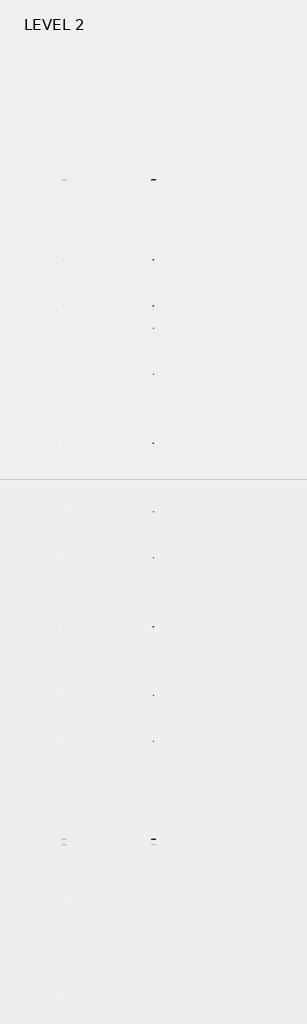
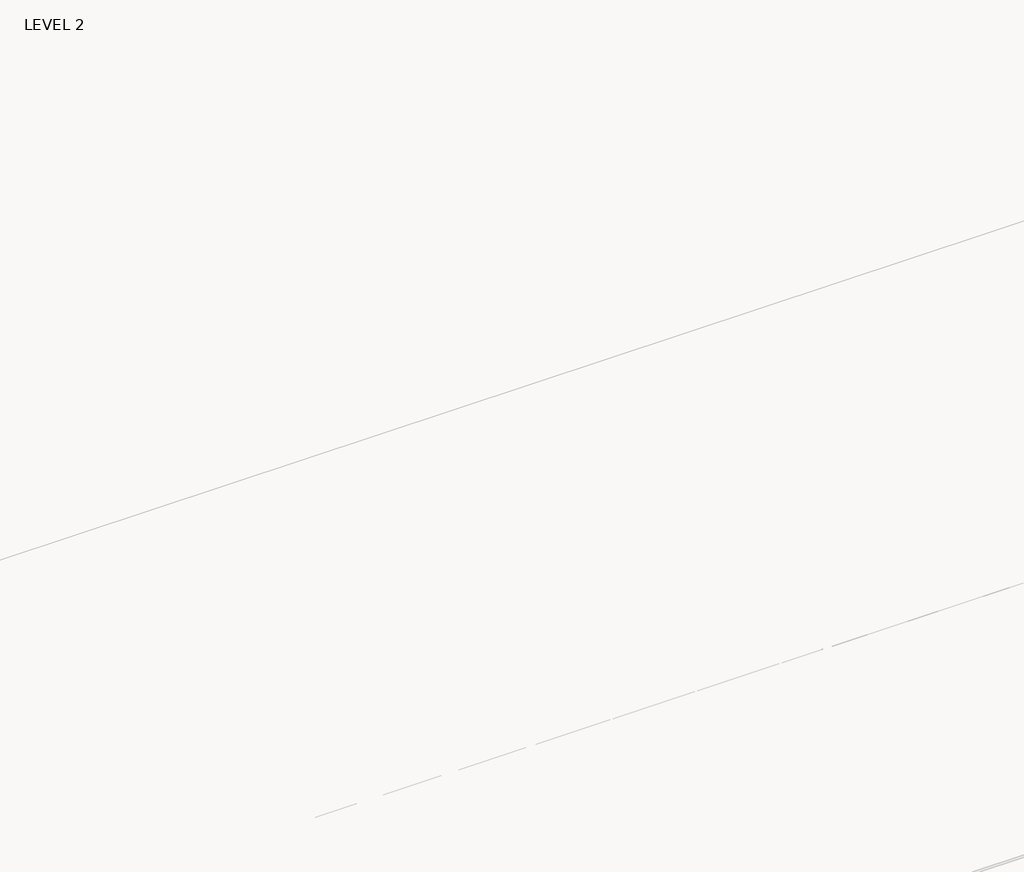
# One storey, part 51 of 67: 1 beam.
"""IFC4 building model written with IfcOpenShell, lengths in millimetres."""

from ifc_helpers import new_model, si_unit, frame, origin, place, context, project, spatial, polyline, outline, extrude, faceted_brep, element, save

model = new_model("IFC4")

# Units and contexts
model_context = context("Model", 3, world=origin())
ifc_project = project(units=[si_unit("LENGTHUNIT", "METRE", prefix="MILLI")], contexts=[model_context])

# Site, building, storey
site = spatial("IfcSite", under=ifc_project)
building = spatial("IfcBuilding", under=site)
storey = spatial("IfcBuildingStorey", under=building, Name="LEVEL 2", Elevation=6908.8)

# Beam
placement = place(None, origin())
element("IfcBeam", 1, ObjectType="K-Series Bar Joist-Angle Web : 30K7", at=placement, inside=storey, context=model_context, shape_type="SolidModel", body=[
    extrude(outline(polyline([(0.0, -9.525), (0.0, 0.0), (1596.011582, 0.0), (1596.011582, -9.525), (0.0, -9.525)])), frame((47385.8014942, 3035.5608234, 6301.5998528), z_axis=(0.0, -0.45537207995192985, 0.8903012236317849), x_axis=(0.0, -0.8903012236317849, -0.45537207995192985)), (0.0, 0.0, 1.0), 9.525),
    extrude(outline(polyline([(0.0, -9.525), (0.0, 0.0), (1596.011582, 0.0), (1596.011582, -9.525), (0.0, -9.525)])), frame((47376.2764942, -9405.2089013, 6276.405159), z_axis=(0.0, 0.45176233395621196, 0.8921383265046045), x_axis=(0.0, 0.8921383265046045, -0.45176233395621196)), (0.0, 0.0, 1.0), 9.525),
    extrude(outline(polyline([(4.7625, 4.7625), (4.7625, -4.7625), (-4.7625, -4.7625), (-4.7625, 4.7625), (4.7625, 4.7625)])), frame((47381.0389942, 1612.4610495, 5579.0607987), z_axis=(0.0, 0.5141906943646374, 0.8576758885667779), x_axis=(-1.0, 0.0, 0.0)), (0.0, 0.0, 1.0), 845.0528554),
    extrude(outline(polyline([(4.7625, 4.7625), (4.7625, -4.7625), (-4.7625, -4.7625), (-4.7625, 4.7625), (4.7625, 4.7625)])), frame((47381.0389942, -7979.1942813, 5559.6360505), z_axis=(0.0, -0.5176603441548682, 0.8555862131249332), x_axis=(-1.0, 0.0, 0.0)), (0.0, 0.0, 1.0), 845.0528554),
    extrude(outline(polyline([(0.0, 0.0), (31.75, 0.0), (31.75, -6.35), (6.35, -6.35), (6.35, -31.75), (0.0, -31.75), (0.0, 0.0)])), frame((47385.8014942, -8080.7812131, 5553.0803065), z_axis=(0.0, 0.9999979493462576, 0.0020251674695521043), x_axis=(1.0, 0.0, 0.0)), (0.0, 0.0, 1.0), 9794.875),
    extrude(outline(polyline([(-9.525, 0.0), (-9.525, -31.75), (-15.875, -31.75), (-15.875, -6.35), (-41.275, -6.35), (-41.275, 0.0), (-9.525, 0.0)])), frame((47385.8014942, -8080.7812131, 5553.0803065), z_axis=(0.0, 0.9999979493462576, 0.0020251674695521043), x_axis=(1.0, 0.0, 0.0)), (0.0, 0.0, 1.0), 9794.875),
    extrude(outline(polyline([(-31.75, 0.0), (0.0, 0.0), (0.0, -6.35), (-25.4, -6.35), (-25.4, -31.75), (-31.75, -31.75), (-31.75, 0.0)])), frame((47417.5514942, -9504.5928758, 6248.6982759), z_axis=(0.0, 0.9999979493462576, 0.0020251674695521043), x_axis=(1.0, 0.0, 0.0)), (0.0, 0.0, 1.0), 101.6),
    extrude(outline(polyline([(-41.275, 0.0), (-41.275, -31.75), (-47.625, -31.75), (-47.625, -6.35), (-73.025, -6.35), (-73.025, 0.0), (-41.275, 0.0)])), frame((47417.5514942, -9504.5928758, 6248.6982759), z_axis=(0.0, 0.9999979493462576, 0.0020251674695521043), x_axis=(1.0, 0.0, 0.0)), (0.0, 0.0, 1.0), 101.6),
    extrude(outline(polyline([(0.0, 0.0), (31.75, 0.0), (31.75, -6.35), (6.35, -6.35), (6.35, -31.75), (0.0, -31.75), (0.0, 0.0)])), frame((47376.2764942, 3033.456413, 6274.0899775), z_axis=(0.0, 0.9999979493462576, 0.0020251674695521043), x_axis=(0.0, -0.0020251674695521043, 0.9999979493462576)), (0.0, 0.0, 1.0), 101.6),
    extrude(outline(polyline([(0.0, 41.275), (6.35, 41.275), (6.35, 15.875), (31.75, 15.875), (31.75, 9.525), (0.0, 9.525), (0.0, 41.275)])), frame((47376.2764942, 3033.456413, 6274.0899775), z_axis=(0.0, 0.9999979493462576, 0.0020251674695521043), x_axis=(0.0, -0.0020251674695521043, 0.9999979493462576)), (0.0, 0.0, 1.0), 101.6),
    extrude(outline(polyline([(0.0, 0.0), (31.75, 0.0), (31.75, -6.35), (6.35, -6.35), (6.35, -31.75), (0.0, -31.75), (0.0, 0.0)])), frame((47385.8014942, -9504.7214739, 6312.1981457), z_axis=(0.0, 0.9999979493462576, 0.0020251674695521043), x_axis=(0.0, 0.0020251674695521043, -0.9999979493462576)), (0.0, 0.0, 1.0), 12639.675),
    extrude(outline(polyline([(0.0, 9.525), (0.0, 41.275), (6.35, 41.275), (6.35, 15.875), (31.75, 15.875), (31.75, 9.525), (0.0, 9.525)])), frame((47385.8014942, -9504.7214739, 6312.1981457), z_axis=(0.0, 0.9999979493462576, 0.0020251674695521043), x_axis=(0.0, 0.0020251674695521043, -0.9999979493462576)), (0.0, 0.0, 1.0), 12639.675),
    faceted_brep([(47381.0389942, 1612.4289, 5594.9357661), (47381.0389942, 1612.4674794, 5575.8858052), (47376.2764942, 1612.4674794, 5575.8858052), (47376.2764942, 1612.4289, 5594.9357661), (47381.0389942, 1611.5910583, 5594.9340693), (47381.0389942, 1186.8149607, 6330.6753354), (47381.0389942, 1168.6028414, 6330.6384527), (47381.0389942, 1168.6414208, 6311.5884918), (47381.0389942, 1175.8292494, 6311.6030483), (47381.0389942, 1600.6053471, 5575.8617823), (47376.2764942, 1600.6053471, 5575.8617823), (47376.2764942, 1580.4651011, 5610.7460665), (47376.2764942, 1584.5895575, 5613.1272983), (47376.2764942, 1189.1083632, 6298.1277874), (47376.2764942, 1184.9839067, 6295.7465555), (47376.2764942, 1175.8292494, 6311.6030483), (47376.2764942, 1168.6414208, 6311.5884918), (47376.2764942, 1168.6028414, 6330.6384527), (47376.2764942, 1186.8149607, 6330.6753354), (47376.2764942, 1611.5910583, 5594.9340693), (47363.5764942, 1184.9839067, 6295.7465555), (47363.5764942, 1580.4651011, 5610.7460665), (47363.5764942, 1584.5895575, 5613.1272983), (47363.5764942, 1189.1083632, 6298.1277874)], [[[0, 1, 2, 3]], [[1, 0, 4, 5, 6, 7, 8, 9]], [[2, 1, 9, 10]], [[3, 2, 10, 11, 12, 13, 14, 15, 16, 17, 18, 19]], [[0, 3, 19, 4]], [[9, 8, 15, 14, 20, 21, 11, 10]], [[5, 4, 19, 18]], [[7, 6, 17, 16]], [[8, 7, 16, 15]], [[6, 5, 18, 17]], [[21, 22, 12, 11]], [[20, 14, 13, 23]], [[22, 21, 20, 23]], [[12, 22, 23, 13]]]),
    extrude(outline(polyline([(740.498813, 5574.119919), (740.4602335, 5593.1698799), (741.2980751, 5593.1715767), (1163.090696, 6330.6272897), (1181.3028154, 6330.6641723), (1181.3413948, 6311.6142114), (1174.1535662, 6311.5996548), (752.3609453, 5574.1439418), (740.498813, 5574.119919)])), frame((47381.0389942, 0.0, 0.0), z_axis=(1.0, 0.0, 0.0), x_axis=(0.0, 1.0, 0.0)), (0.0, 0.0, 1.0), 4.7625),
    extrude(outline(polyline([(-4.7625, 4.7625), (-4.7625, 0.0), (-17.4625, 0.0), (-17.4625, 4.7625), (-4.7625, 4.7625)])), frame((47381.0389942, 772.3597334, 5609.1095144), z_axis=(0.0, 0.4964843899757221, 0.8680456500152716), x_axis=(-1.0, 0.0, 0.0)), (0.0, 0.0, 1.0), 790.9684223),
    faceted_brep([(47381.0389942, -7107.2577644, 5577.2769041), (47381.0389942, -7107.219185, 5558.2269432), (47376.2764942, -7107.219185, 5558.2269432), (47376.2764942, -7107.2577644, 5577.2769041), (47381.0389942, -7108.095606, 5577.2752074), (47381.0389942, -7532.8717036, 6313.0164734), (47381.0389942, -7551.083823, 6312.9795907), (47381.0389942, -7551.0452435, 6293.9296298), (47381.0389942, -7543.8574149, 6293.9441864), (47381.0389942, -7119.0813173, 5558.2029203), (47376.2764942, -7119.0813173, 5558.2029203), (47376.2764942, -7139.2215633, 5593.0872045), (47376.2764942, -7135.0971068, 5595.4684363), (47376.2764942, -7530.5783012, 6280.4689254), (47376.2764942, -7534.7027576, 6278.0876936), (47376.2764942, -7543.8574149, 6293.9441864), (47376.2764942, -7551.0452435, 6293.9296298), (47376.2764942, -7551.083823, 6312.9795907), (47376.2764942, -7532.8717036, 6313.0164734), (47376.2764942, -7108.095606, 5577.2752074), (47363.5764942, -7534.7027576, 6278.0876936), (47363.5764942, -7139.2215633, 5593.0872045), (47363.5764942, -7135.0971068, 5595.4684363), (47363.5764942, -7530.5783012, 6280.4689254)], [[[0, 1, 2, 3]], [[1, 0, 4, 5, 6, 7, 8, 9]], [[2, 1, 9, 10]], [[3, 2, 10, 11, 12, 13, 14, 15, 16, 17, 18, 19]], [[0, 3, 19, 4]], [[9, 8, 15, 14, 20, 21, 11, 10]], [[5, 4, 19, 18]], [[7, 6, 17, 16]], [[8, 7, 16, 15]], [[6, 5, 18, 17]], [[21, 22, 12, 11]], [[20, 14, 13, 23]], [[22, 21, 20, 23]], [[12, 22, 23, 13]]]),
    extrude(outline(polyline([(-7979.1878514, 5556.461057), (-7979.2264308, 5575.5110179), (-7978.3885892, 5575.5127147), (-7556.5959683, 6312.9684277), (-7538.383849, 6313.0053103), (-7538.3452696, 6293.9553494), (-7545.5330982, 6293.9407928), (-7967.3257191, 5556.4850798), (-7979.1878514, 5556.461057)])), frame((47381.0389942, 0.0, 0.0), z_axis=(1.0, 0.0, 0.0), x_axis=(0.0, 1.0, 0.0)), (0.0, 0.0, 1.0), 4.7625),
    extrude(outline(polyline([(-4.7625, 4.7625), (-4.7625, 0.0), (-17.4625, 0.0), (-17.4625, 4.7625), (-4.7625, 4.7625)])), frame((47381.0389942, -7947.326931, 5591.4506524), z_axis=(0.0, 0.4964843899757221, 0.8680456500152716), x_axis=(-1.0, 0.0, 0.0)), (0.0, 0.0, 1.0), 790.9684223),
    faceted_brep([(47381.0389942, 740.4602335, 5593.1698799), (47381.0389942, 740.498813, 5574.119919), (47376.2764942, 740.498813, 5574.119919), (47376.2764942, 740.4602335, 5593.1698799), (47381.0389942, 739.6223919, 5593.1681831), (47381.0389942, 314.8462943, 6328.9094492), (47381.0389942, 296.634175, 6328.8725665), (47381.0389942, 296.6727544, 6309.8226056), (47381.0389942, 303.860583, 6309.8371621), (47381.0389942, 728.6366806, 5574.0958961), (47376.2764942, 728.6366806, 5574.0958961), (47376.2764942, 708.4964346, 5608.9801803), (47376.2764942, 712.6208911, 5611.3614121), (47376.2764942, 317.1396968, 6296.3619012), (47376.2764942, 313.0152403, 6293.9806693), (47376.2764942, 303.860583, 6309.8371621), (47376.2764942, 296.6727544, 6309.8226056), (47376.2764942, 296.634175, 6328.8725665), (47376.2764942, 314.8462943, 6328.9094492), (47376.2764942, 739.6223919, 5593.1681831), (47363.5764942, 313.0152403, 6293.9806693), (47363.5764942, 708.4964346, 5608.9801803), (47363.5764942, 712.6208911, 5611.3614121), (47363.5764942, 317.1396968, 6296.3619012)], [[[0, 1, 2, 3]], [[1, 0, 4, 5, 6, 7, 8, 9]], [[2, 1, 9, 10]], [[3, 2, 10, 11, 12, 13, 14, 15, 16, 17, 18, 19]], [[0, 3, 19, 4]], [[9, 8, 15, 14, 20, 21, 11, 10]], [[5, 4, 19, 18]], [[7, 6, 17, 16]], [[8, 7, 16, 15]], [[6, 5, 18, 17]], [[21, 22, 12, 11]], [[20, 14, 13, 23]], [[22, 21, 20, 23]], [[12, 22, 23, 13]]]),
    extrude(outline(polyline([(-131.4698535, 5572.3540328), (-131.5084329, 5591.4039937), (-130.6705913, 5591.4056905), (291.1220296, 6328.8614035), (309.3341489, 6328.8982861), (309.3727284, 6309.8483252), (302.1848998, 6309.8337686), (-119.6077211, 5572.3780556), (-131.4698535, 5572.3540328)])), frame((47381.0389942, 0.0, 0.0), z_axis=(1.0, 0.0, 0.0), x_axis=(0.0, 1.0, 0.0)), (0.0, 0.0, 1.0), 4.7625),
    extrude(outline(polyline([(-4.7625, 4.7625), (-4.7625, 0.0), (-17.4625, 0.0), (-17.4625, 4.7625), (-4.7625, 4.7625)])), frame((47381.0389942, -99.6089331, 5607.3436282), z_axis=(0.0, 0.4964843899757221, 0.8680456500152716), x_axis=(-1.0, 0.0, 0.0)), (0.0, 0.0, 1.0), 790.9684223),
    faceted_brep([(47381.0389942, -131.5084329, 5591.4039937), (47381.0389942, -131.4698535, 5572.3540328), (47376.2764942, -131.4698535, 5572.3540328), (47376.2764942, -131.5084329, 5591.4039937), (47381.0389942, -132.3462745, 5591.4022969), (47381.0389942, -557.1223722, 6327.143563), (47381.0389942, -575.3344915, 6327.1066803), (47381.0389942, -575.295912, 6308.0567194), (47381.0389942, -568.1080834, 6308.0712759), (47381.0389942, -143.3319858, 5572.3300099), (47376.2764942, -143.3319858, 5572.3300099), (47376.2764942, -163.4722318, 5607.2142941), (47376.2764942, -159.3477753, 5609.5955259), (47376.2764942, -554.8289697, 6294.596015), (47376.2764942, -558.9534262, 6292.2147831), (47376.2764942, -568.1080834, 6308.0712759), (47376.2764942, -575.295912, 6308.0567194), (47376.2764942, -575.3344915, 6327.1066803), (47376.2764942, -557.1223722, 6327.143563), (47376.2764942, -132.3462745, 5591.4022969), (47363.5764942, -558.9534262, 6292.2147831), (47363.5764942, -163.4722318, 5607.2142941), (47363.5764942, -159.3477753, 5609.5955259), (47363.5764942, -554.8289697, 6294.596015)], [[[0, 1, 2, 3]], [[1, 0, 4, 5, 6, 7, 8, 9]], [[2, 1, 9, 10]], [[3, 2, 10, 11, 12, 13, 14, 15, 16, 17, 18, 19]], [[0, 3, 19, 4]], [[9, 8, 15, 14, 20, 21, 11, 10]], [[5, 4, 19, 18]], [[7, 6, 17, 16]], [[8, 7, 16, 15]], [[6, 5, 18, 17]], [[21, 22, 12, 11]], [[20, 14, 13, 23]], [[22, 21, 20, 23]], [[12, 22, 23, 13]]]),
    extrude(outline(polyline([(-1003.4385199, 5570.5881466), (-1003.4770993, 5589.6381075), (-1002.6392577, 5589.6398043), (-580.8466368, 6327.0955173), (-562.6345175, 6327.1323999), (-562.5959381, 6308.082439), (-569.7837667, 6308.0678824), (-991.5763876, 5570.6121694), (-1003.4385199, 5570.5881466)])), frame((47381.0389942, 0.0, 0.0), z_axis=(1.0, 0.0, 0.0), x_axis=(0.0, 1.0, 0.0)), (0.0, 0.0, 1.0), 4.7625),
    extrude(outline(polyline([(-4.7625, 4.7625), (-4.7625, 0.0), (-17.4625, 0.0), (-17.4625, 4.7625), (-4.7625, 4.7625)])), frame((47381.0389942, -971.5775995, 5605.577742), z_axis=(0.0, 0.4964843899757221, 0.8680456500152716), x_axis=(-1.0, 0.0, 0.0)), (0.0, 0.0, 1.0), 790.9684223),
    faceted_brep([(47381.0389942, -1003.4770993, 5589.6381075), (47381.0389942, -1003.4385199, 5570.5881466), (47376.2764942, -1003.4385199, 5570.5881466), (47376.2764942, -1003.4770993, 5589.6381075), (47381.0389942, -1004.314941, 5589.6364107), (47381.0389942, -1429.0910386, 6325.3776768), (47381.0389942, -1447.3031579, 6325.3407941), (47381.0389942, -1447.2645785, 6306.2908332), (47381.0389942, -1440.0767499, 6306.3053897), (47381.0389942, -1015.3006522, 5570.5641237), (47376.2764942, -1015.3006522, 5570.5641237), (47376.2764942, -1035.4408983, 5605.4484079), (47376.2764942, -1031.3164418, 5607.8296397), (47376.2764942, -1426.7976361, 6292.8301288), (47376.2764942, -1430.9220926, 6290.4488969), (47376.2764942, -1440.0767499, 6306.3053897), (47376.2764942, -1447.2645785, 6306.2908332), (47376.2764942, -1447.3031579, 6325.3407941), (47376.2764942, -1429.0910386, 6325.3776768), (47376.2764942, -1004.314941, 5589.6364107), (47363.5764942, -1430.9220926, 6290.4488969), (47363.5764942, -1035.4408983, 5605.4484079), (47363.5764942, -1031.3164418, 5607.8296397), (47363.5764942, -1426.7976361, 6292.8301288)], [[[0, 1, 2, 3]], [[1, 0, 4, 5, 6, 7, 8, 9]], [[2, 1, 9, 10]], [[3, 2, 10, 11, 12, 13, 14, 15, 16, 17, 18, 19]], [[0, 3, 19, 4]], [[9, 8, 15, 14, 20, 21, 11, 10]], [[5, 4, 19, 18]], [[7, 6, 17, 16]], [[8, 7, 16, 15]], [[6, 5, 18, 17]], [[21, 22, 12, 11]], [[20, 14, 13, 23]], [[22, 21, 20, 23]], [[12, 22, 23, 13]]]),
    extrude(outline(polyline([(-1875.4071863, 5568.8222604), (-1875.4457658, 5587.8722213), (-1874.6079242, 5587.8739181), (-1452.8153033, 6325.3296311), (-1434.6031839, 6325.3665137), (-1434.5646045, 6306.3165528), (-1441.7524331, 6306.3019962), (-1863.545054, 5568.8462832), (-1875.4071863, 5568.8222604)])), frame((47381.0389942, 0.0, 0.0), z_axis=(1.0, 0.0, 0.0), x_axis=(0.0, 1.0, 0.0)), (0.0, 0.0, 1.0), 4.7625),
    extrude(outline(polyline([(-4.7625, 4.7625001), (-4.7625, 0.0), (-17.4625, 0.0), (-17.4625, 4.7625001), (-4.7625, 4.7625001)])), frame((47381.0389942, -1843.5462659, 5603.8118558), z_axis=(0.0, 0.4964843899757221, 0.8680456500152716), x_axis=(-1.0, 0.0, 0.0)), (0.0, 0.0, 1.0), 790.9684223),
    faceted_brep([(47381.0389942, -1875.4457658, 5587.8722213), (47381.0389942, -1875.4071863, 5568.8222604), (47376.2764942, -1875.4071863, 5568.8222604), (47376.2764942, -1875.4457658, 5587.8722213), (47381.0389942, -1876.2836074, 5587.8705245), (47381.0389942, -2301.059705, 6323.6117906), (47381.0389942, -2319.2718243, 6323.5749079), (47381.0389942, -2319.2332449, 6304.524947), (47381.0389942, -2312.0454163, 6304.5395035), (47381.0389942, -1887.2693187, 5568.7982375), (47376.2764942, -1887.2693187, 5568.7982375), (47376.2764942, -1907.4095647, 5603.6825217), (47376.2764942, -1903.2851082, 5606.0637535), (47376.2764942, -2298.7663026, 6291.0642426), (47376.2764942, -2302.890759, 6288.6830107), (47376.2764942, -2312.0454163, 6304.5395035), (47376.2764942, -2319.2332449, 6304.524947), (47376.2764942, -2319.2718243, 6323.5749079), (47376.2764942, -2301.059705, 6323.6117906), (47376.2764942, -1876.2836074, 5587.8705245), (47363.5764942, -2302.890759, 6288.6830107), (47363.5764942, -1907.4095647, 5603.6825217), (47363.5764942, -1903.2851082, 5606.0637535), (47363.5764942, -2298.7663026, 6291.0642426)], [[[0, 1, 2, 3]], [[1, 0, 4, 5, 6, 7, 8, 9]], [[2, 1, 9, 10]], [[3, 2, 10, 11, 12, 13, 14, 15, 16, 17, 18, 19]], [[0, 3, 19, 4]], [[9, 8, 15, 14, 20, 21, 11, 10]], [[5, 4, 19, 18]], [[7, 6, 17, 16]], [[8, 7, 16, 15]], [[6, 5, 18, 17]], [[21, 22, 12, 11]], [[20, 14, 13, 23]], [[22, 21, 20, 23]], [[12, 22, 23, 13]]]),
    extrude(outline(polyline([(-2747.3758528, 5567.0563742), (-2747.4144322, 5586.1063351), (-2746.5765906, 5586.1080319), (-2324.7839697, 6323.5637449), (-2306.5718504, 6323.6006275), (-2306.5332709, 6304.5506666), (-2313.7210995, 6304.53611), (-2735.5137204, 5567.080397), (-2747.3758528, 5567.0563742)])), frame((47381.0389942, 0.0, 0.0), z_axis=(1.0, 0.0, 0.0), x_axis=(0.0, 1.0, 0.0)), (0.0, 0.0, 1.0), 4.7625),
    extrude(outline(polyline([(-4.7625, 4.7625), (-4.7625, 0.0), (-17.4625, 0.0), (-17.4625, 4.7625), (-4.7625, 4.7625)])), frame((47381.0389942, -2715.5149324, 5602.0459696), z_axis=(0.0, 0.4964843899757221, 0.8680456500152716), x_axis=(-1.0, 0.0, 0.0)), (0.0, 0.0, 1.0), 790.9684223),
    faceted_brep([(47381.0389942, -2747.4144322, 5586.1063351), (47381.0389942, -2747.3758528, 5567.0563742), (47376.2764942, -2747.3758528, 5567.0563742), (47376.2764942, -2747.4144322, 5586.1063351), (47381.0389942, -2748.2522738, 5586.1046383), (47381.0389942, -3173.0283715, 6321.8459044), (47381.0389942, -3191.2404908, 6321.8090217), (47381.0389942, -3191.2019113, 6302.7590608), (47381.0389942, -3184.0140827, 6302.7736173), (47381.0389942, -2759.2379851, 5567.0323513), (47376.2764942, -2759.2379851, 5567.0323513), (47376.2764942, -2779.3782311, 5601.9166355), (47376.2764942, -2775.2537747, 5604.2978673), (47376.2764942, -3170.734969, 6289.2983564), (47376.2764942, -3174.8594255, 6286.9171245), (47376.2764942, -3184.0140827, 6302.7736173), (47376.2764942, -3191.2019113, 6302.7590608), (47376.2764942, -3191.2404908, 6321.8090217), (47376.2764942, -3173.0283715, 6321.8459044), (47376.2764942, -2748.2522738, 5586.1046383), (47363.5764942, -3174.8594255, 6286.9171245), (47363.5764942, -2779.3782311, 5601.9166355), (47363.5764942, -2775.2537747, 5604.2978673), (47363.5764942, -3170.734969, 6289.2983564)], [[[0, 1, 2, 3]], [[1, 0, 4, 5, 6, 7, 8, 9]], [[2, 1, 9, 10]], [[3, 2, 10, 11, 12, 13, 14, 15, 16, 17, 18, 19]], [[0, 3, 19, 4]], [[9, 8, 15, 14, 20, 21, 11, 10]], [[5, 4, 19, 18]], [[7, 6, 17, 16]], [[8, 7, 16, 15]], [[6, 5, 18, 17]], [[21, 22, 12, 11]], [[20, 14, 13, 23]], [[22, 21, 20, 23]], [[12, 22, 23, 13]]]),
    extrude(outline(polyline([(-3619.3445192, 5565.290488), (-3619.3830987, 5584.3404489), (-3618.545257, 5584.3421457), (-3196.7526361, 6321.7978587), (-3178.5405168, 6321.8347413), (-3178.5019374, 6302.7847804), (-3185.689766, 6302.7702238), (-3607.4823869, 5565.3145108), (-3619.3445192, 5565.290488)])), frame((47381.0389942, 0.0, 0.0), z_axis=(1.0, 0.0, 0.0), x_axis=(0.0, 1.0, 0.0)), (0.0, 0.0, 1.0), 4.7625),
    extrude(outline(polyline([(-4.7625, 4.7625), (-4.7625, 0.0), (-17.4625, 0.0), (-17.4625, 4.7625), (-4.7625, 4.7625)])), frame((47381.0389942, -3587.4835988, 5600.2800834), z_axis=(0.0, 0.4964843899757221, 0.8680456500152716), x_axis=(-1.0, 0.0, 0.0)), (0.0, 0.0, 1.0), 790.9684223),
    faceted_brep([(47381.0389942, -3619.3830987, 5584.3404489), (47381.0389942, -3619.3445192, 5565.290488), (47376.2764942, -3619.3445192, 5565.290488), (47376.2764942, -3619.3830987, 5584.3404489), (47381.0389942, -3620.2209403, 5584.3387521), (47381.0389942, -4044.9970379, 6320.0800182), (47381.0389942, -4063.2091572, 6320.0431355), (47381.0389942, -4063.1705778, 6300.9931746), (47381.0389942, -4055.9827492, 6301.0077311), (47381.0389942, -3631.2066516, 5565.2664651), (47376.2764942, -3631.2066516, 5565.2664651), (47376.2764942, -3651.3468976, 5600.1507493), (47376.2764942, -3647.2224411, 5602.5319811), (47376.2764942, -4042.7036354, 6287.5324702), (47376.2764942, -4046.8280919, 6285.1512383), (47376.2764942, -4055.9827492, 6301.0077311), (47376.2764942, -4063.1705778, 6300.9931746), (47376.2764942, -4063.2091572, 6320.0431355), (47376.2764942, -4044.9970379, 6320.0800182), (47376.2764942, -3620.2209403, 5584.3387521), (47363.5764942, -4046.8280919, 6285.1512383), (47363.5764942, -3651.3468976, 5600.1507493), (47363.5764942, -3647.2224411, 5602.5319811), (47363.5764942, -4042.7036354, 6287.5324702)], [[[0, 1, 2, 3]], [[1, 0, 4, 5, 6, 7, 8, 9]], [[2, 1, 9, 10]], [[3, 2, 10, 11, 12, 13, 14, 15, 16, 17, 18, 19]], [[0, 3, 19, 4]], [[9, 8, 15, 14, 20, 21, 11, 10]], [[5, 4, 19, 18]], [[7, 6, 17, 16]], [[8, 7, 16, 15]], [[6, 5, 18, 17]], [[21, 22, 12, 11]], [[20, 14, 13, 23]], [[22, 21, 20, 23]], [[12, 22, 23, 13]]]),
    extrude(outline(polyline([(-4491.3131857, 5563.5246018), (-4491.3517651, 5582.5745627), (-4490.5139235, 5582.5762595), (-4068.7213026, 6320.0319725), (-4050.5091833, 6320.0688551), (-4050.4706038, 6301.0188942), (-4057.6584324, 6301.0043376), (-4479.4510533, 5563.5486246), (-4491.3131857, 5563.5246018)])), frame((47381.0389942, 0.0, 0.0), z_axis=(1.0, 0.0, 0.0), x_axis=(0.0, 1.0, 0.0)), (0.0, 0.0, 1.0), 4.7625),
    extrude(outline(polyline([(-4.7625, 4.7625), (-4.7625, 0.0), (-17.4625, 0.0), (-17.4625, 4.7625), (-4.7625, 4.7625)])), frame((47381.0389942, -4459.4522653, 5598.5141972), z_axis=(0.0, 0.4964843899757221, 0.8680456500152716), x_axis=(-1.0, 0.0, 0.0)), (0.0, 0.0, 1.0), 790.9684223),
    faceted_brep([(47381.0389942, -4491.3517651, 5582.5745627), (47381.0389942, -4491.3131857, 5563.5246018), (47376.2764942, -4491.3131857, 5563.5246018), (47376.2764942, -4491.3517651, 5582.5745627), (47381.0389942, -4492.1896067, 5582.572866), (47381.0389942, -4916.9657043, 6318.314132), (47381.0389942, -4935.1778236, 6318.2772493), (47381.0389942, -4935.1392442, 6299.2272884), (47381.0389942, -4927.9514156, 6299.241845), (47381.0389942, -4503.175318, 5563.5005789), (47376.2764942, -4503.175318, 5563.5005789), (47376.2764942, -4523.315564, 5598.3848631), (47376.2764942, -4519.1911075, 5600.7660949), (47376.2764942, -4914.6723019, 6285.766584), (47376.2764942, -4918.7967583, 6283.3853521), (47376.2764942, -4927.9514156, 6299.241845), (47376.2764942, -4935.1392442, 6299.2272884), (47376.2764942, -4935.1778236, 6318.2772493), (47376.2764942, -4916.9657043, 6318.314132), (47376.2764942, -4492.1896067, 5582.572866), (47363.5764942, -4918.7967583, 6283.3853521), (47363.5764942, -4523.315564, 5598.3848631), (47363.5764942, -4519.1911075, 5600.7660949), (47363.5764942, -4914.6723019, 6285.766584)], [[[0, 1, 2, 3]], [[1, 0, 4, 5, 6, 7, 8, 9]], [[2, 1, 9, 10]], [[3, 2, 10, 11, 12, 13, 14, 15, 16, 17, 18, 19]], [[0, 3, 19, 4]], [[9, 8, 15, 14, 20, 21, 11, 10]], [[5, 4, 19, 18]], [[7, 6, 17, 16]], [[8, 7, 16, 15]], [[6, 5, 18, 17]], [[21, 22, 12, 11]], [[20, 14, 13, 23]], [[22, 21, 20, 23]], [[12, 22, 23, 13]]]),
    extrude(outline(polyline([(-5363.2818521, 5561.7587156), (-5363.3204315, 5580.8086765), (-5362.4825899, 5580.8103733), (-4940.689969, 6318.2660863), (-4922.4778497, 6318.3029689), (-4922.4392703, 6299.253008), (-4929.6270988, 6299.2384514), (-5351.4197198, 5561.7827384), (-5363.2818521, 5561.7587156)])), frame((47381.0389942, 0.0, 0.0), z_axis=(1.0, 0.0, 0.0), x_axis=(0.0, 1.0, 0.0)), (0.0, 0.0, 1.0), 4.7625),
    extrude(outline(polyline([(-4.7625, 4.7625), (-4.7625, 0.0), (-17.4625, 0.0), (-17.4625, 4.7625), (-4.7625, 4.7625)])), frame((47381.0389942, -5331.4209317, 5596.748311), z_axis=(0.0, 0.4964843899757221, 0.8680456500152716), x_axis=(-1.0, 0.0, 0.0)), (0.0, 0.0, 1.0), 790.9684223),
    faceted_brep([(47381.0389942, -5363.3204315, 5580.8086765), (47381.0389942, -5363.2818521, 5561.7587156), (47376.2764942, -5363.2818521, 5561.7587156), (47376.2764942, -5363.3204315, 5580.8086765), (47381.0389942, -5364.1582731, 5580.8069798), (47381.0389942, -5788.9343708, 6316.5482458), (47381.0389942, -5807.1464901, 6316.5113631), (47381.0389942, -5807.1079106, 6297.4614022), (47381.0389942, -5799.920082, 6297.4759588), (47381.0389942, -5375.1439844, 5561.7346927), (47376.2764942, -5375.1439844, 5561.7346927), (47376.2764942, -5395.2842304, 5596.6189769), (47376.2764942, -5391.159774, 5599.0002087), (47376.2764942, -5786.6409683, 6284.0006978), (47376.2764942, -5790.7654248, 6281.6194659), (47376.2764942, -5799.920082, 6297.4759588), (47376.2764942, -5807.1079106, 6297.4614022), (47376.2764942, -5807.1464901, 6316.5113631), (47376.2764942, -5788.9343708, 6316.5482458), (47376.2764942, -5364.1582731, 5580.8069798), (47363.5764942, -5790.7654248, 6281.6194659), (47363.5764942, -5395.2842304, 5596.6189769), (47363.5764942, -5391.159774, 5599.0002087), (47363.5764942, -5786.6409683, 6284.0006978)], [[[0, 1, 2, 3]], [[1, 0, 4, 5, 6, 7, 8, 9]], [[2, 1, 9, 10]], [[3, 2, 10, 11, 12, 13, 14, 15, 16, 17, 18, 19]], [[0, 3, 19, 4]], [[9, 8, 15, 14, 20, 21, 11, 10]], [[5, 4, 19, 18]], [[7, 6, 17, 16]], [[8, 7, 16, 15]], [[6, 5, 18, 17]], [[21, 22, 12, 11]], [[20, 14, 13, 23]], [[22, 21, 20, 23]], [[12, 22, 23, 13]]]),
    extrude(outline(polyline([(-6235.2505185, 5559.9928294), (-6235.289098, 5579.0427903), (-6234.4512563, 5579.0444871), (-5812.6586354, 6316.5002001), (-5794.4465161, 6316.5370827), (-5794.4079367, 6297.4871218), (-5801.5957653, 6297.4725652), (-6223.3883862, 5560.0168522), (-6235.2505185, 5559.9928294)])), frame((47381.0389942, 0.0, 0.0), z_axis=(1.0, 0.0, 0.0), x_axis=(0.0, 1.0, 0.0)), (0.0, 0.0, 1.0), 4.7625),
    extrude(outline(polyline([(-4.7625, 4.7625), (-4.7625, 0.0), (-17.4625, 0.0), (-17.4625, 4.7625), (-4.7625, 4.7625)])), frame((47381.0389942, -6203.3895981, 5594.9824248), z_axis=(0.0, 0.4964843899757221, 0.8680456500152716), x_axis=(-1.0, 0.0, 0.0)), (0.0, 0.0, 1.0), 790.9684223),
    faceted_brep([(47381.0389942, -6235.289098, 5579.0427903), (47381.0389942, -6235.2505185, 5559.9928294), (47376.2764942, -6235.2505185, 5559.9928294), (47376.2764942, -6235.289098, 5579.0427903), (47381.0389942, -6236.1269396, 5579.0410936), (47381.0389942, -6660.9030372, 6314.7823596), (47381.0389942, -6679.1151565, 6314.7454769), (47381.0389942, -6679.0765771, 6295.695516), (47381.0389942, -6671.8887485, 6295.7100726), (47381.0389942, -6247.1126509, 5559.9688065), (47376.2764942, -6247.1126509, 5559.9688065), (47376.2764942, -6267.2528969, 5594.8530907), (47376.2764942, -6263.1284404, 5597.2343225), (47376.2764942, -6658.6096347, 6282.2348116), (47376.2764942, -6662.7340912, 6279.8535798), (47376.2764942, -6671.8887485, 6295.7100726), (47376.2764942, -6679.0765771, 6295.695516), (47376.2764942, -6679.1151565, 6314.7454769), (47376.2764942, -6660.9030372, 6314.7823596), (47376.2764942, -6236.1269396, 5579.0410936), (47363.5764942, -6662.7340912, 6279.8535798), (47363.5764942, -6267.2528969, 5594.8530907), (47363.5764942, -6263.1284404, 5597.2343225), (47363.5764942, -6658.6096347, 6282.2348116)], [[[0, 1, 2, 3]], [[1, 0, 4, 5, 6, 7, 8, 9]], [[2, 1, 9, 10]], [[3, 2, 10, 11, 12, 13, 14, 15, 16, 17, 18, 19]], [[0, 3, 19, 4]], [[9, 8, 15, 14, 20, 21, 11, 10]], [[5, 4, 19, 18]], [[7, 6, 17, 16]], [[8, 7, 16, 15]], [[6, 5, 18, 17]], [[21, 22, 12, 11]], [[20, 14, 13, 23]], [[22, 21, 20, 23]], [[12, 22, 23, 13]]]),
    extrude(outline(polyline([(-7107.219185, 5558.2269432), (-7107.2577644, 5577.2769041), (-7106.4199228, 5577.2786009), (-6684.6273019, 6314.7343139), (-6666.4151826, 6314.7711965), (-6666.3766031, 6295.7212356), (-6673.5644317, 6295.706679), (-7095.3570526, 5558.250966), (-7107.219185, 5558.2269432)])), frame((47381.0389942, 0.0, 0.0), z_axis=(1.0, 0.0, 0.0), x_axis=(0.0, 1.0, 0.0)), (0.0, 0.0, 1.0), 4.7625),
    extrude(outline(polyline([(-4.7625, 4.7625), (-4.7625, 0.0), (-17.4625, 0.0), (-17.4625, 4.7625), (-4.7625, 4.7625)])), frame((47381.0389942, -7075.3582646, 5593.2165386), z_axis=(0.0, 0.4964843899757221, 0.8680456500152716), x_axis=(-1.0, 0.0, 0.0)), (0.0, 0.0, 1.0), 790.9684223),
])

save(model, "model.ifc")
